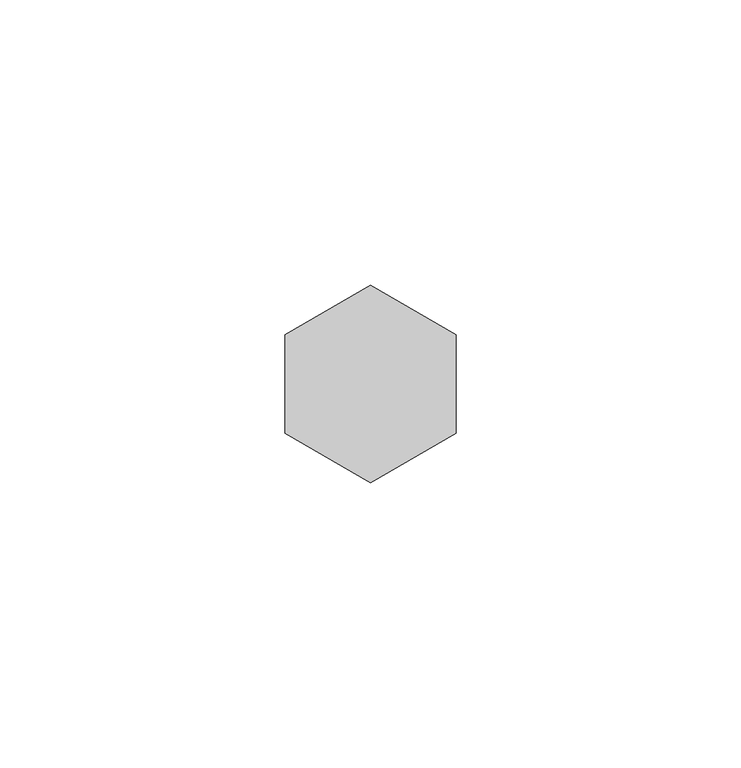
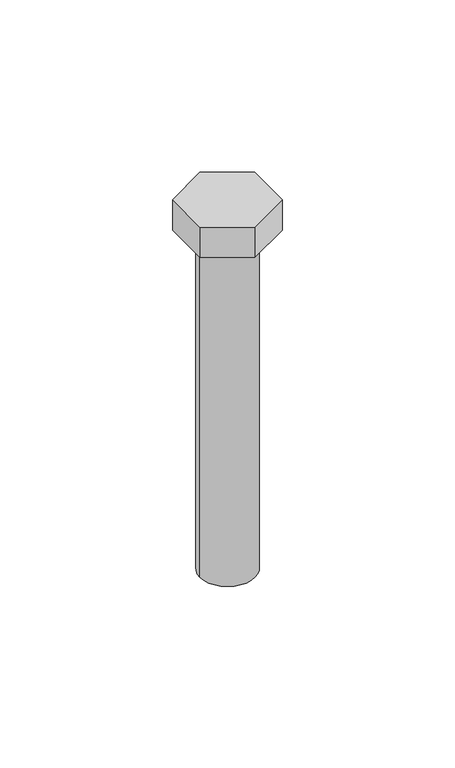
"""IFC4 building model written with IfcOpenShell, lengths in millimetres: proxy geometry."""

from ifc_helpers import new_model, si_unit, point, frame, origin, origin_with_axes, origin_2d, place, context, project, spatial, polyline, circle_curve, trimmed, segment, composite_curve, outline, extrude, source, transform, mapped, element, save


def mechanical_equipment_39df0b97(model_context):
    return source(origin(), model_context, "Body", "SweptSolid", [
        extrude(outline(composite_curve([segment(trimmed(circle_curve(origin_2d(), 10.0), [point((-10.0, 0.0))], [point((10.0, 0.0))], False, "CARTESIAN"), True, "CONTINUOUS"), segment(trimmed(circle_curve(origin_2d(), 10.0), [point((10.0, 0.0))], [point((-10.0, 0.0))], False, "CARTESIAN"), True, "CONTINUOUS")], self_intersect=False)), frame((0.0, 0.0, -130.0), z_axis=(0.0, 0.0, 1.0), x_axis=(1.0, 0.0, 0.0)), (0.0, 0.0, 1.0), 130.0),
        extrude(outline(polyline([(15.0, -8.660254), (0.0, -17.3205081), (-15.0, -8.660254), (-15.0, 8.660254), (0.0, 17.3205081), (15.0, 8.660254), (15.0, -8.660254)])), origin_with_axes(), (0.0, 0.0, 1.0), 11.7),
    ])


if __name__ == "__main__":
    model = new_model("IFC4")
    model_context = context("Model", 3, world=origin())
    ifc_project = project(units=[si_unit("LENGTHUNIT", "METRE", prefix="MILLI")], contexts=[model_context])
    site = spatial("IfcSite", under=ifc_project)
    building = spatial("IfcBuilding", under=site)
    placement = place(None, origin())
    mechanical_equipment_shape = mechanical_equipment_39df0b97(model_context)
    element("IfcBuildingElementProxy", 1, Name="Mechanical Equipment", at=placement, inside=building, context=model_context, shape_type="MappedRepresentation", body=[
        mapped(mechanical_equipment_shape, transform((0.0, 0.0, 0.0), x_axis=(1.0, 0.0, 0.0), y_axis=(0.0, 1.0, 0.0), z_axis=(0.0, 0.0, 1.0))),
    ])
    save(model, "model.ifc")
